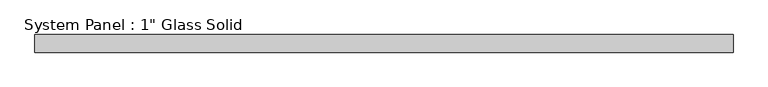
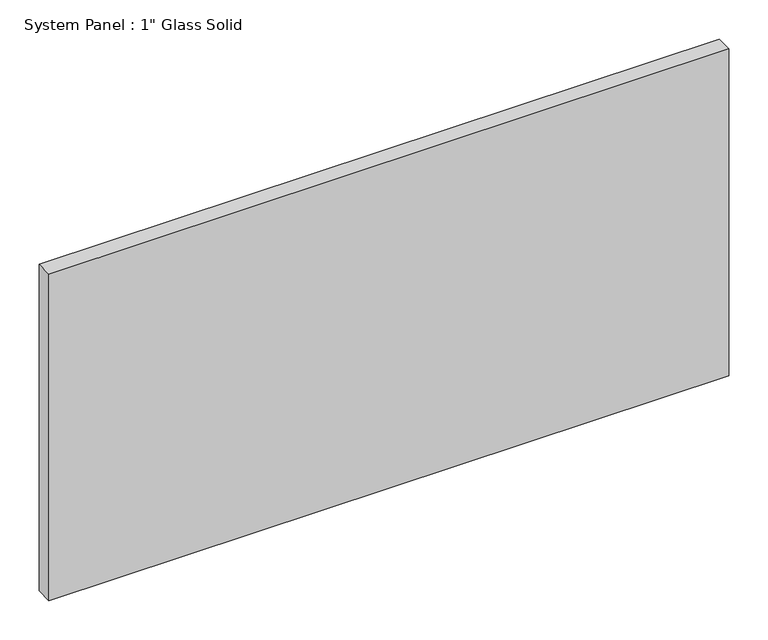
"""IFC4 building model written with IfcOpenShell, lengths in millimetres: plate geometry."""

from ifc_helpers import new_model, si_unit, origin, origin_with_axes, place, context, project, spatial, polyline, outline, extrude, source, transform, mapped, element, save


def plate_f74bfc56(model_context):
    return source(origin(), model_context, "Body", "SweptSolid", [
        extrude(outline(polyline([(503.2375, -12.7), (-503.2375, -12.7), (-503.2375, 12.7), (503.2375, 12.7), (503.2375, -12.7)])), origin_with_axes(), (0.0, 0.0, 1.0), 511.175),
    ])


if __name__ == "__main__":
    model = new_model("IFC4")
    model_context = context("Model", 3, world=origin())
    ifc_project = project(units=[si_unit("LENGTHUNIT", "METRE", prefix="MILLI")], contexts=[model_context])
    site = spatial("IfcSite", under=ifc_project)
    building = spatial("IfcBuilding", under=site)
    placement = place(None, origin())
    plate_shape = plate_f74bfc56(model_context)
    element("IfcPlate", 1, ObjectType="System Panel : 1\" Glass Solid", at=placement, inside=building, context=model_context, shape_type="MappedRepresentation", body=[
        mapped(plate_shape, transform((0.0, 0.0, 0.0), x_axis=(1.0, 0.0, 0.0), y_axis=(0.0, 1.0, 0.0), z_axis=(0.0, 0.0, 1.0))),
    ])
    save(model, "model.ifc")
